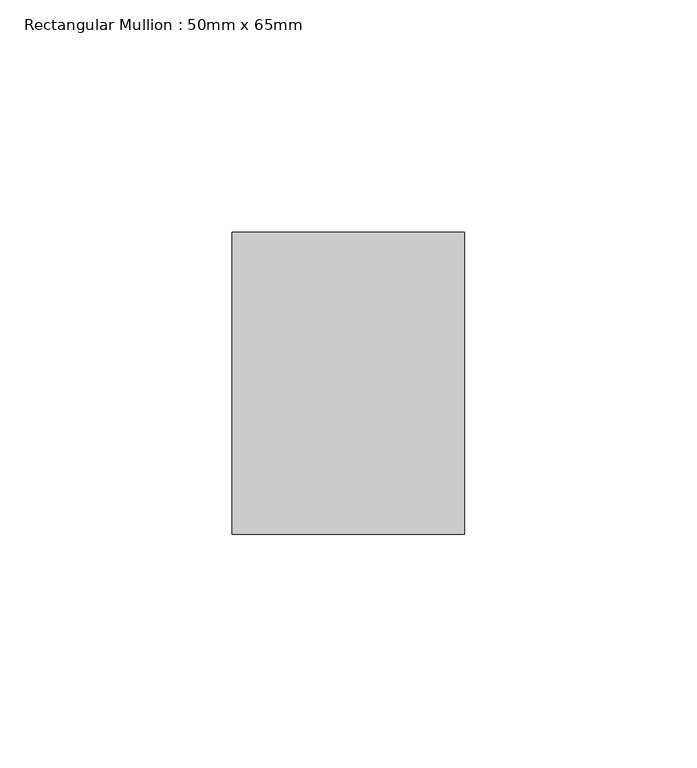
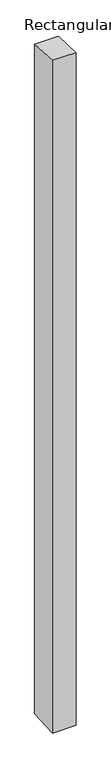
"""IFC4 building model written with IfcOpenShell, lengths in millimetres: member geometry, Rectangular Mullion : 50mm x 65mm."""

from ifc_helpers import new_model, si_unit, origin, place, context, project, spatial, faceted_brep, source, transform, mapped, element, save


def rectangular_mullion_50mm_x_65mm_07179a0e(model_context):
    return source(origin(), model_context, "Body", "Brep", [
        faceted_brep([(-25.0, 32.5, -1.4676797), (25.0, 32.5, -1.4676708), (25.0, 32.5, -1498.1022508), (-25.0, 32.5, -1498.1022393), (-25.0, -32.5, 1.4676708), (-25.0, -32.5, -1501.8979831), (25.0, -32.5, 1.4676797), (25.0, -32.5, -1501.8979946)], [[[0, 1, 2, 3]], [[4, 0, 3, 5]], [[6, 4, 5, 7]], [[1, 6, 7, 2]], [[1, 0, 4, 6]], [[2, 7, 5, 3]]]),
    ])


if __name__ == "__main__":
    model = new_model("IFC4")
    model_context = context("Model", 3, world=origin())
    ifc_project = project(units=[si_unit("LENGTHUNIT", "METRE", prefix="MILLI")], contexts=[model_context])
    site = spatial("IfcSite", under=ifc_project)
    building = spatial("IfcBuilding", under=site)
    placement = place(None, origin())
    rectangular_mullion_50mm_x_65mm_shape = rectangular_mullion_50mm_x_65mm_07179a0e(model_context)
    element("IfcMember", 1, ObjectType="Rectangular Mullion : 50mm x 65mm", at=placement, inside=building, context=model_context, shape_type="MappedRepresentation", body=[
        mapped(rectangular_mullion_50mm_x_65mm_shape, transform((0.0, 0.0, 0.0), x_axis=(1.0, 0.0, 0.0), y_axis=(0.0, 1.0, 0.0), z_axis=(0.0, 0.0, 1.0))),
    ])
    save(model, "model.ifc")
